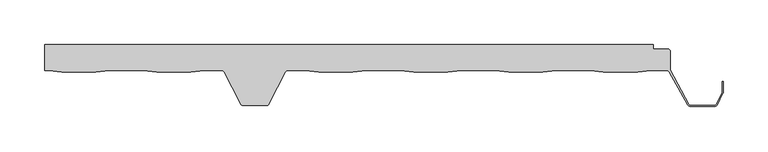
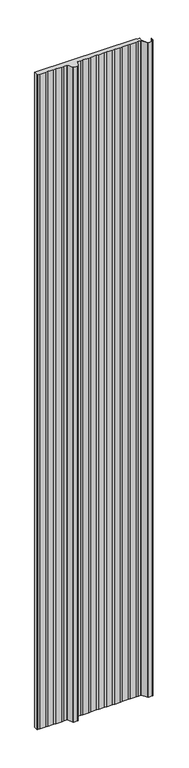
"""IFC4 building model written with IfcOpenShell, lengths in millimetres: proxy geometry."""

from ifc_helpers import new_model, si_unit, point, frame, frame_2d, origin, place, context, project, spatial, polyline, circle_curve, trimmed, segment, composite_curve, outline, extrude, source, transform, mapped, element, save


def generic_models_002e40d1(model_context):
    return source(origin(), model_context, "Body", "SweptSolid", [
        extrude(outline(composite_curve([segment(polyline([(269.5632135, 0.0), (265.3803922, 0.0), (265.3803922, 29.1020544), (945.306253, 29.1020544), (945.306253, 24.1020544), (961.2351211, 24.1020544)]), True, "CONTINUOUS"), segment(trimmed(circle_curve(frame_2d((961.2351211, 21.1020544)), 3.0), [point((961.2351211, 24.1020544))], [point((964.2351211, 21.1020544))], False, "CARTESIAN"), True, "CONTINUOUS"), segment(polyline([(964.2351211, 21.1020544), (964.2351211, 0.7965502), (984.5660869, -37.8919418)]), True, "CONTINUOUS"), segment(trimmed(circle_curve(frame_2d((986.3557773, -36.9991886)), 2.0), [point((984.5660869, -37.8919418))], [point((986.3557773, -38.9991886))], True, "CARTESIAN"), True, "CONTINUOUS"), segment(polyline([(986.3557773, -38.9991886), (1013.6874272, -38.9991886)]), True, "CONTINUOUS"), segment(trimmed(circle_curve(frame_2d((1013.6874272, -36.9991886)), 2.0), [point((1013.6874272, -38.9991886))], [point((1015.4767281, -37.8927222))], True, "CARTESIAN"), True, "CONTINUOUS"), segment(polyline([(1015.4767281, -37.8927222), (1022.005913, -24.8180295)]), True, "CONTINUOUS"), segment(trimmed(circle_curve(frame_2d((1020.2166121, -23.9244959)), 2.0), [point((1022.005913, -24.8180295))], [point((1022.2166121, -23.9244959))], True, "CARTESIAN"), True, "CONTINUOUS"), segment(polyline([(1022.2166121, -23.9244959), (1022.2166121, -12.4550557), (1023.2166121, -12.4550557), (1023.2166121, -23.9244959)]), True, "CONTINUOUS"), segment(trimmed(circle_curve(frame_2d((1020.2166121, -23.9244959)), 3.0), [point((1023.2166121, -23.9244959))], [point((1022.9005634, -25.2647963))], False, "CARTESIAN"), True, "CONTINUOUS"), segment(polyline([(1022.9005634, -25.2647963), (1016.3713786, -38.3394889)]), True, "CONTINUOUS"), segment(trimmed(circle_curve(frame_2d((1013.6874272, -36.9991886)), 3.0), [point((1016.3713786, -38.3394889))], [point((1013.6874272, -39.9991886))], False, "CARTESIAN"), True, "CONTINUOUS"), segment(polyline([(1013.6874272, -39.9991886), (986.3384217, -39.9991886)]), True, "CONTINUOUS"), segment(trimmed(circle_curve(frame_2d((986.3384217, -36.9991886)), 3.0), [point((986.3384217, -39.9991886))], [point((983.7108944, -38.44698))], False, "CARTESIAN"), True, "CONTINUOUS"), segment(polyline([(983.7108944, -38.44698), (962.8075869, -1.5506091)]), True, "CONTINUOUS"), segment(trimmed(circle_curve(frame_2d((960.1809415, -3.0)), 3.0), [point((962.8075869, -1.5506091))], [point((960.1809415, 0.0))], True, "CARTESIAN"), True, "CONTINUOUS"), segment(polyline([(960.1809415, 0.0), (942.4369507, 0.0), (927.573234, -1.7979456), (889.4539348, -1.7979456), (874.5902181, 0.0), (836.4369507, 0.0), (821.573234, -1.7979456), (783.4539348, -1.7979456), (768.5902181, 0.0), (730.4369507, 0.0), (715.573234, -1.7979456), (677.4539348, -1.7979456), (662.5902181, 0.0), (624.4369507, 0.0), (609.573234, -1.7979456), (571.4539348, -1.7979456), (556.5902181, 0.0), (536.4373213, 0.0)]), True, "CONTINUOUS"), segment(trimmed(circle_curve(frame_2d((536.856405, -2.9878462)), 3.017094), [point((536.4373213, 0.0))], [point((534.1528136, -1.6486489))], True, "CARTESIAN"), True, "CONTINUOUS"), segment(polyline([(534.1528136, -1.6486489), (515.8288959, -37.3482459)]), True, "CONTINUOUS"), segment(trimmed(circle_curve(frame_2d((513.1449445, -36.0079456)), 3.0), [point((515.8288959, -37.3482459))], [point((513.1449445, -39.0079456))], False, "CARTESIAN"), True, "CONTINUOUS"), segment(polyline([(513.1449445, -39.0079456), (486.8552196, -39.0079456)]), True, "CONTINUOUS"), segment(trimmed(circle_curve(frame_2d((486.8552196, -36.0079456)), 3.0), [point((486.8552196, -39.0079456))], [point((484.1712683, -37.3482459))], False, "CARTESIAN"), True, "CONTINUOUS"), segment(polyline([(484.1712683, -37.3482459), (465.8289057, -1.6576649)]), True, "CONTINUOUS"), segment(trimmed(circle_curve(frame_2d((463.1449543, -2.9979652)), 3.0), [point((465.8289057, -1.6576649))], [point((463.1449543, 0.0020348))], True, "CARTESIAN"), True, "CONTINUOUS"), segment(polyline([(463.1449543, 0.0020348), (443.4267677, 0.0020348), (428.5462294, -1.7979456), (390.4269301, -1.7979456), (375.5632135, 0.0), (337.409946, 0.0), (322.5462294, -1.7979456), (284.4269301, -1.7979456), (269.5632135, 0.0)]), True, "CONTINUOUS")], self_intersect=False)), frame((0.0, 0.0, -250.0), z_axis=(0.0, 0.0, 1.0), x_axis=(1.0, 0.0, 0.0)), (0.0, 0.0, 1.0), 4623.800303),
    ])


if __name__ == "__main__":
    model = new_model("IFC4")
    model_context = context("Model", 3, world=origin())
    ifc_project = project(units=[si_unit("LENGTHUNIT", "METRE", prefix="MILLI")], contexts=[model_context])
    site = spatial("IfcSite", under=ifc_project)
    building = spatial("IfcBuilding", under=site)
    placement = place(None, origin())
    generic_models_shape = generic_models_002e40d1(model_context)
    element("IfcBuildingElementProxy", 1, Name="Generic Models", at=placement, inside=building, context=model_context, shape_type="MappedRepresentation", body=[
        mapped(generic_models_shape, transform((0.0, 0.0, 0.0), x_axis=(1.0, 0.0, 0.0), y_axis=(0.0, 1.0, 0.0), z_axis=(0.0, 0.0, 1.0))),
    ])
    save(model, "model.ifc")
